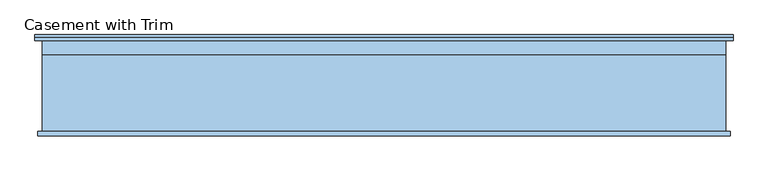
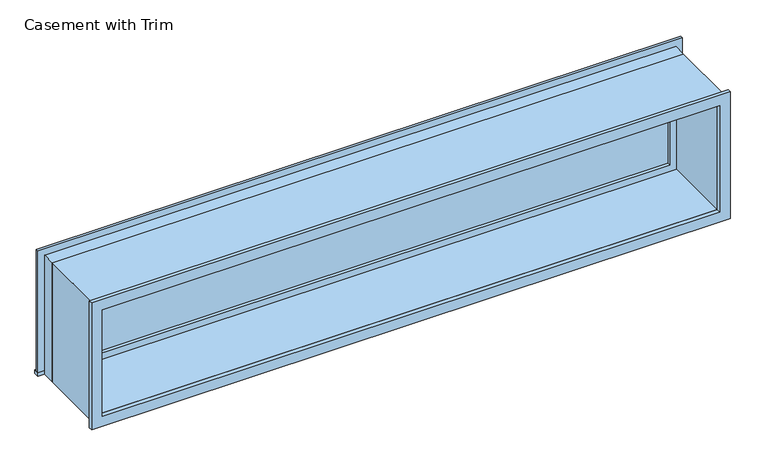
"""IFC4 building model written with IfcOpenShell, lengths in millimetres: window geometry, Casement with Trim."""

from ifc_helpers import new_model, si_unit, frame, origin, place, context, project, spatial, polyline, outline, extrude, source, transform, mapped, element, save


def casement_with_trim_c64490bd(model_context):
    return source(origin(), model_context, "Body", "SweptSolid", [
        extrude(outline(polyline([(-1531.75, 225.4), (1531.75, 225.4), (1531.75, 200.0), (-1531.75, 200.0), (-1531.75, 225.4)])), frame((0.0, 0.0, 914.4), z_axis=(0.0, 0.0, 1.0), x_axis=(1.0, 0.0, 0.0)), (0.0, 0.0, 1.0), 19.05),
        extrude(outline(polyline([(1495.35, -1480.95), (1495.35, 1480.95), (933.45, 1480.95), (933.45, 1531.75), (1546.15, 1531.75), (1546.15, -1531.75), (933.45, -1531.75), (933.45, -1480.95), (1495.35, -1480.95)])), frame((0.0, 200.0, 0.0), z_axis=(0.0, 1.0, 0.0), x_axis=(0.0, 0.0, 1.0)), (0.0, 0.0, 1.0), 12.7),
        extrude(outline(polyline([(1533.45, 1519.05), (1533.45, -1519.05), (895.35, -1519.05), (895.35, 1519.05), (1533.45, 1519.05)]), holes=[polyline([(1482.65, 1468.25), (946.15, 1468.25), (946.15, -1468.25), (1482.65, -1468.25), (1482.65, 1468.25)])]), frame((0.0, -219.05, 0.0), z_axis=(0.0, 1.0, 0.0), x_axis=(0.0, 0.0, 1.0)), (0.0, 0.0, 1.0), 19.05),
        extrude(outline(polyline([(1436.5, 152.375), (-1436.5, 152.375), (-1436.5, 165.075), (1436.5, 165.075), (1436.5, 152.375)])), frame((0.0, 0.0, 977.9), z_axis=(0.0, 0.0, 1.0), x_axis=(1.0, 0.0, 0.0)), (0.0, 0.0, 1.0), 473.0),
        extrude(outline(polyline([(1495.35, -1480.95), (933.45, -1480.95), (933.45, 1480.95), (1495.35, 1480.95), (1495.35, -1480.95)]), holes=[polyline([(1450.9, -1436.5), (1450.9, 1436.5), (977.9, 1436.5), (977.9, -1436.5), (1450.9, -1436.5)])]), frame((0.0, 136.5, 0.0), z_axis=(0.0, 1.0, 0.0), x_axis=(0.0, 0.0, 1.0)), (0.0, 0.0, 1.0), 44.45),
        extrude(outline(polyline([(1514.4, -1500.0), (914.4, -1500.0), (914.4, 1500.0), (1514.4, 1500.0), (1514.4, -1500.0)]), holes=[polyline([(1482.65, -1468.25), (1482.65, 1468.25), (946.15, 1468.25), (946.15, -1468.25), (1482.65, -1468.25)])]), frame((0.0, -200.0, 0.0), z_axis=(0.0, 1.0, 0.0), x_axis=(0.0, 0.0, 1.0)), (0.0, 0.0, 1.0), 336.5),
        extrude(outline(polyline([(1514.4, 1500.0), (1514.4, -1500.0), (914.4, -1500.0), (914.4, 1500.0), (1514.4, 1500.0)]), holes=[polyline([(1495.35, 1480.95), (933.45, 1480.95), (933.45, -1480.95), (1495.35, -1480.95), (1495.35, 1480.95)])]), frame((0.0, 136.5, 0.0), z_axis=(0.0, 1.0, 0.0), x_axis=(0.0, 0.0, 1.0)), (0.0, 0.0, 1.0), 63.5),
    ])


if __name__ == "__main__":
    model = new_model("IFC4")
    model_context = context("Model", 3, world=origin())
    ifc_project = project(units=[si_unit("LENGTHUNIT", "METRE", prefix="MILLI")], contexts=[model_context])
    site = spatial("IfcSite", under=ifc_project)
    building = spatial("IfcBuilding", under=site)
    placement = place(None, origin())
    casement_with_trim_shape = casement_with_trim_c64490bd(model_context)
    element("IfcWindow", 1, ObjectType="Casement with Trim", at=placement, inside=building, context=model_context, shape_type="MappedRepresentation", body=[
        mapped(casement_with_trim_shape, transform((0.0, 0.0, 0.0), x_axis=(1.0, 0.0, 0.0), y_axis=(0.0, 1.0, 0.0), z_axis=(0.0, 0.0, 1.0))),
    ])
    save(model, "model.ifc")
